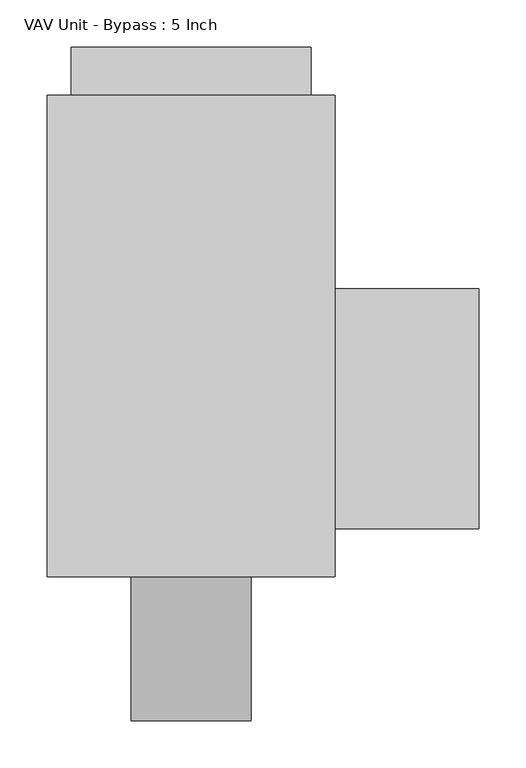
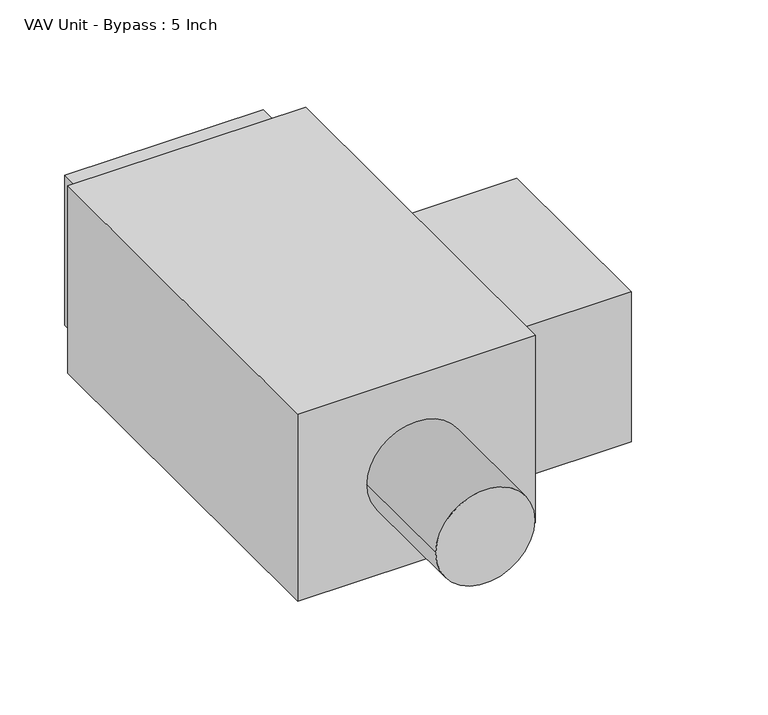
"""IFC4 building model written with IfcOpenShell, lengths in millimetres: proxy geometry, VAV Unit - Bypass : 5 Inch."""

from ifc_helpers import new_model, si_unit, point, frame, origin, origin_2d, place, context, project, spatial, polyline, circle_curve, trimmed, segment, composite_curve, outline, extrude, source, transform, mapped, element, save


def vav_unit_bypass_5_inch_12c7e6f2(model_context):
    return source(origin(), model_context, "Body", "SweptSolid", [
        extrude(outline(polyline([(304.8, -203.99375), (152.4, -203.99375), (152.4, 50.00625), (304.8, 50.00625), (304.8, -203.99375)])), frame((0.0, 0.0, -101.6), z_axis=(0.0, 0.0, 1.0), x_axis=(1.0, 0.0, 0.0)), (0.0, 0.0, 1.0), 203.2),
        extrude(outline(composite_curve([segment(trimmed(circle_curve(origin_2d(), 63.5), [point((0.0, -63.5))], [point((0.0, 63.5))], False, "CARTESIAN"), True, "CONTINUOUS"), segment(trimmed(circle_curve(origin_2d(), 63.5), [point((0.0, 63.5))], [point((0.0, -63.5))], False, "CARTESIAN"), True, "CONTINUOUS")], self_intersect=False)), frame((0.0, -407.19375, 0.0), z_axis=(0.0, 1.0, 0.0), x_axis=(0.0, 0.0, 1.0)), (0.0, 0.0, 1.0), 152.4),
        extrude(outline(polyline([(127.0, 305.59375), (127.0, 254.79375), (-127.0, 254.79375), (-127.0, 305.59375), (127.0, 305.59375)])), frame((0.0, 0.0, -101.6), z_axis=(0.0, 0.0, 1.0), x_axis=(1.0, 0.0, 0.0)), (0.0, 0.0, 1.0), 203.2),
        extrude(outline(polyline([(152.4, 254.79375), (152.4, -254.79375), (-152.4, -254.79375), (-152.4, 254.79375), (152.4, 254.79375)])), frame((0.0, 0.0, -127.0), z_axis=(0.0, 0.0, 1.0), x_axis=(1.0, 0.0, 0.0)), (0.0, 0.0, 1.0), 254.0),
    ])


if __name__ == "__main__":
    model = new_model("IFC4")
    model_context = context("Model", 3, world=origin())
    ifc_project = project(units=[si_unit("LENGTHUNIT", "METRE", prefix="MILLI")], contexts=[model_context])
    site = spatial("IfcSite", under=ifc_project)
    building = spatial("IfcBuilding", under=site)
    placement = place(None, origin())
    vav_unit_bypass_5_inch_shape = vav_unit_bypass_5_inch_12c7e6f2(model_context)
    element("IfcBuildingElementProxy", 1, Name="VAV Unit - Bypass : 5 Inch", ObjectType="VAV Unit - Bypass : 5 Inch", at=placement, inside=building, context=model_context, shape_type="MappedRepresentation", body=[
        mapped(vav_unit_bypass_5_inch_shape, transform((0.0, 0.0, 0.0), x_axis=(1.0, 0.0, 0.0), y_axis=(0.0, 1.0, 0.0), z_axis=(0.0, 0.0, 1.0))),
    ])
    save(model, "model.ifc")
